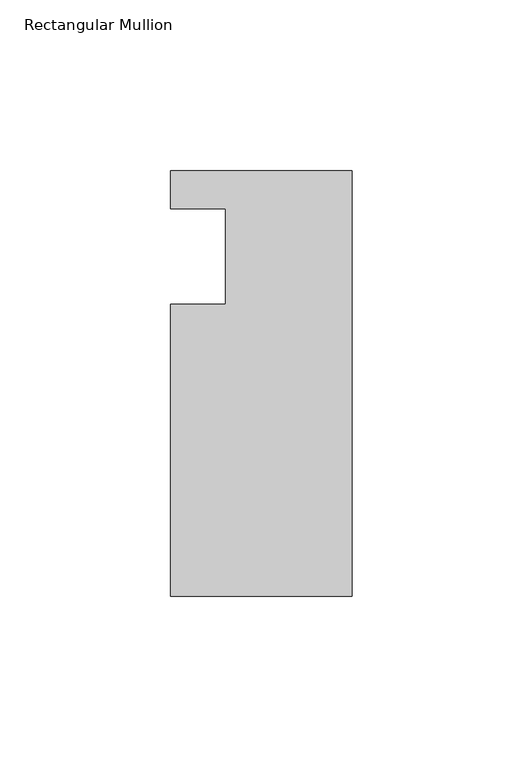
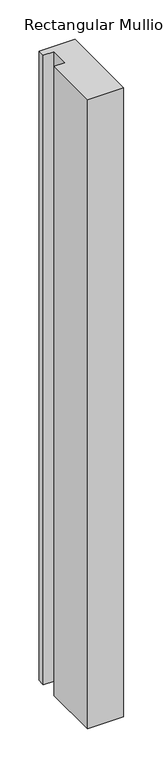
"""IFC4 building model written with IfcOpenShell, lengths in millimetres: member geometry, Rectangular Mullion."""

from ifc_helpers import new_model, si_unit, frame, origin, place, context, project, spatial, polyline, outline, extrude, source, transform, mapped, element, save


def rectangular_mullion_764cde32(model_context):
    return source(origin(), model_context, "Body", "SweptSolid", [
        extrude(outline(polyline([(-37.0, 13.9999453), (-53.0, 13.9999453), (-53.0, 24.9999453), (0.0, 24.9999453), (0.0, -99.5000547), (-53.0, -99.5000547), (-53.0, -14.0000547), (-37.0, -14.0000547), (-37.0, 13.9999453)])), frame((0.0, 0.0, -980.1744343), z_axis=(0.0, 0.0, 1.0), x_axis=(1.0, 0.0, 0.0)), (0.0, 0.0, 1.0), 980.1744343),
    ])


if __name__ == "__main__":
    model = new_model("IFC4")
    model_context = context("Model", 3, world=origin())
    ifc_project = project(units=[si_unit("LENGTHUNIT", "METRE", prefix="MILLI")], contexts=[model_context])
    site = spatial("IfcSite", under=ifc_project)
    building = spatial("IfcBuilding", under=site)
    placement = place(None, origin())
    rectangular_mullion_shape = rectangular_mullion_764cde32(model_context)
    element("IfcMember", 1, ObjectType="Rectangular Mullion", at=placement, inside=building, context=model_context, shape_type="MappedRepresentation", body=[
        mapped(rectangular_mullion_shape, transform((0.0, 0.0, 0.0), x_axis=(1.0, 0.0, 0.0), y_axis=(0.0, 1.0, 0.0), z_axis=(0.0, 0.0, 1.0))),
    ])
    save(model, "model.ifc")
